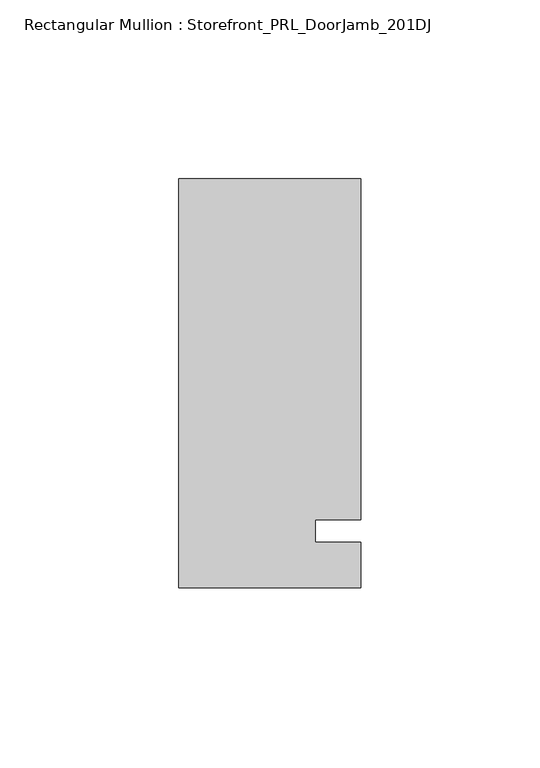
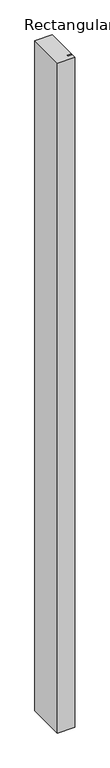
"""IFC4 building model written with IfcOpenShell, lengths in millimetres: member geometry, Rectangular Mullion : Storefront_PRL_DoorJamb_201DJ."""

import ifcopenshell
import ifcopenshell.guid

model = None  # the IFC model being written
_history = None  # IfcOwnerHistory: only IFC2X3 demands one
_inside = {}  # id of a spatial element -> (the spatial element, [elements in it])
_under = {}  # id of a project, library or spatial element -> (it, [spatial elements below it])
_declared = {}  # id of a project -> (the project, [libraries it declares])
_typed = {}  # id of a type object -> (the type object, [elements of that type])
_made_of = {}  # id of a material, layer set ... -> (it, [elements and type objects made of it])


def new_model(schema):
    """Start an empty IFC model of exactly this schema.

    Asked for "IFC4X3", IfcOpenShell would pick the latest addendum, in which some entities
    have other attributes; the version numbers below select the first issue.
    IFC2X3 requires an IfcOwnerHistory on every rooted entity: one is made here for all.
    """
    global model, _history
    if schema == "IFC4X3":
        model = ifcopenshell.file(schema_version=(4, 3, 0, 0))
    else:
        model = ifcopenshell.file(schema=schema)
    _inside.clear()
    _under.clear()
    _declared.clear()
    _typed.clear()
    _made_of.clear()
    _history = None
    if model.schema == "IFC2X3":
        org = make("IfcOrganization", Name="unknown")
        user = make(
            "IfcPersonAndOrganization",
            ThePerson=make("IfcPerson", FamilyName="unknown"),
            TheOrganization=org,
        )
        app = make(
            "IfcApplication",
            ApplicationDeveloper=org,
            Version="unknown",
            ApplicationFullName="unknown",
            ApplicationIdentifier="unknown",
        )
        _history = make(
            "IfcOwnerHistory",
            OwningUser=user,
            OwningApplication=app,
            ChangeAction="ADDED",
            CreationDate=0,
        )
    return model


def make(cls, **values):
    """One entity of the class cls with the attributes given. An attribute that is None is left unset."""
    return model.create_entity(
        cls, **{name: value for name, value in values.items() if value is not None}
    )


def rooted(cls, **values):
    """An entity with a GlobalId (a new one), such as an element, a storey or a relation."""
    return make(cls, GlobalId=ifcopenshell.guid.new(), OwnerHistory=_history, **values)


def si_unit(unit_type, name, prefix=None):
    """IfcSIUnit, for example si_unit("LENGTHUNIT", "METRE", prefix="MILLI")."""
    return make("IfcSIUnit", UnitType=unit_type, Prefix=prefix, Name=name)


def assignment(units):
    """IfcUnitAssignment: the units of a project."""
    return None if units is None else make("IfcUnitAssignment", Units=units)


def point(xyz):
    """IfcCartesianPoint."""
    return None if xyz is None else make("IfcCartesianPoint", Coordinates=xyz)


def direction(xyz):
    """IfcDirection."""
    return None if xyz is None else make("IfcDirection", DirectionRatios=xyz)


def frame(location, z_axis=None, x_axis=None):
    """IfcAxis2Placement3D, a coordinate frame: its origin and axes. An axis left out is left unset."""
    return make(
        "IfcAxis2Placement3D",
        Location=point(location),
        Axis=direction(z_axis),
        RefDirection=direction(x_axis),
    )


def origin():
    """The frame at (0, 0, 0) with its axes left unset."""
    return frame((0.0, 0.0, 0.0))


def place(relative_to, where):
    """IfcLocalPlacement: puts the frame where relative to a parent placement (None: the world)."""
    return make(
        "IfcLocalPlacement", PlacementRelTo=relative_to, RelativePlacement=where
    )


def context(
    kind, dimensions, precision=None, world=None, true_north=None, identifier=None
):
    """IfcGeometricRepresentationContext, for example the 3D "Model" context."""
    return make(
        "IfcGeometricRepresentationContext",
        ContextIdentifier=identifier,
        ContextType=kind,
        CoordinateSpaceDimension=dimensions,
        Precision=precision,
        WorldCoordinateSystem=world,
        TrueNorth=true_north,
    )


def project(units=None, contexts=None):
    """IfcProject with its units and contexts."""
    return rooted(
        "IfcProject",
        Name="project",
        RepresentationContexts=contexts,
        UnitsInContext=assignment(units),
    )


def spatial(cls, under=None, at=None, **own):
    """A site, building, storey or space (cls), placed at a placement, below another one or the project."""
    s = rooted(cls, ObjectPlacement=at, **own)
    if under is not None:
        _under.setdefault(under.id(), (under, []))[1].append(s)
    return s


def polyline(points):
    """IfcPolyline through the points."""
    return make("IfcPolyline", Points=[point(p) for p in points])


def outline(outer, holes=None, kind="AREA"):
    """IfcArbitraryClosedProfileDef: a profile drawn as a closed curve; with holes, ...WithVoids."""
    if holes is None:
        return make("IfcArbitraryClosedProfileDef", ProfileType=kind, OuterCurve=outer)
    return make(
        "IfcArbitraryProfileDefWithVoids",
        ProfileType=kind,
        OuterCurve=outer,
        InnerCurves=holes,
    )


def extrude(swept, where, along, depth):
    """IfcExtrudedAreaSolid: the profile swept, set in the frame where, extruded along a direction by depth."""
    return make(
        "IfcExtrudedAreaSolid",
        SweptArea=swept,
        Position=where,
        ExtrudedDirection=direction(along),
        Depth=depth,
    )


def shape(context_of_items, identifier, shape_type, items):
    """IfcShapeRepresentation: the items that make up one representation, for example the "Body"."""
    return make(
        "IfcShapeRepresentation",
        ContextOfItems=context_of_items,
        RepresentationIdentifier=identifier,
        RepresentationType=shape_type,
        Items=items,
    )


def source(mapping_origin, context_of_items, identifier, shape_type, items):
    """IfcRepresentationMap: a shape defined once, which mapped items show again and again."""
    return make(
        "IfcRepresentationMap",
        MappingOrigin=mapping_origin,
        MappedRepresentation=shape(context_of_items, identifier, shape_type, items),
    )


def transform(
    local_origin,
    x_axis=None,
    y_axis=None,
    z_axis=None,
    scale=None,
    scale2=None,
    scale3=None,
    uniform=True,
):
    """IfcCartesianTransformationOperator3D, or its non-uniform kind. x_axis, y_axis, z_axis: its Axis1, 2, 3."""
    if uniform:
        return make(
            "IfcCartesianTransformationOperator3D",
            Axis1=direction(x_axis),
            Axis2=direction(y_axis),
            LocalOrigin=point(local_origin),
            Scale=scale,
            Axis3=direction(z_axis),
        )
    return make(
        "IfcCartesianTransformationOperator3DnonUniform",
        Axis1=direction(x_axis),
        Axis2=direction(y_axis),
        LocalOrigin=point(local_origin),
        Scale=scale,
        Axis3=direction(z_axis),
        Scale2=scale2,
        Scale3=scale3,
    )


def mapped(mapping_source, mapping_target):
    """IfcMappedItem: shows the shape of a source again, moved by a transform."""
    return make(
        "IfcMappedItem", MappingSource=mapping_source, MappingTarget=mapping_target
    )


def made_of(thing, what):
    """Note that an element or type object is made of a material, layer set ...; save() writes the relation."""
    if what is not None:
        _made_of.setdefault(what.id(), (what, []))[1].append(thing)
    return thing


def element(
    cls,
    number,
    at=None,
    inside=None,
    cuts=None,
    type_object=None,
    material=None,
    context=None,
    identifier="Body",
    shape_type=None,
    held_by="IfcProductDefinitionShape",
    body=None,
    shapes=None,
    **own,
):
    """One element of the class cls, such as IfcWall. Its Tag is "e" and its number.

    at: its placement. inside: the storey or other place that contains it. cuts: it is an
    opening in that element (IfcRelVoidsElement). A single representation is given by context,
    identifier, shape_type and body (its items); several are given by shapes. held_by: the class
    of the entity that holds the representations. save() writes the other relations.
    """
    e = rooted(cls, Tag="e%d" % number, ObjectPlacement=at, **own)
    if body is not None:
        shapes = [shape(context, identifier, shape_type, body)]
    if shapes is not None:
        e.Representation = make(held_by, Representations=shapes)
    if inside is not None:
        _inside.setdefault(inside.id(), (inside, []))[1].append(e)
    if cuts is not None:
        rooted(
            "IfcRelVoidsElement", RelatingBuildingElement=cuts, RelatedOpeningElement=e
        )
    if type_object is not None:
        _typed.setdefault(type_object.id(), (type_object, []))[1].append(e)
    return made_of(e, material)


def aggregate(whole, parts):
    """IfcRelAggregates: a whole, such as a stair, and the parts it consists of."""
    return rooted("IfcRelAggregates", RelatingObject=whole, RelatedObjects=parts)


def save(model, path):
    """Write the relations noted so far, then the file.

    IfcRelAggregates (storeys below a building ...), IfcRelContainedInSpatialStructure (elements
    in a storey), IfcRelDefinesByType, IfcRelAssociatesMaterial and IfcRelDeclares: one each for
    every whole, place, type object, material and project.
    """
    for whole, parts in _under.values():
        aggregate(whole, parts)
    for where, things in _inside.values():
        rooted(
            "IfcRelContainedInSpatialStructure",
            RelatedElements=things,
            RelatingStructure=where,
        )
    for kind, things in _typed.values():
        rooted("IfcRelDefinesByType", RelatedObjects=things, RelatingType=kind)
    for what, things in _made_of.values():
        rooted("IfcRelAssociatesMaterial", RelatedObjects=things, RelatingMaterial=what)
    for by, libraries in _declared.values():
        rooted("IfcRelDeclares", RelatingContext=by, RelatedDefinitions=libraries)
    model.write(path)


def rectangular_mullion_storefront_prl_doorjamb_201dj_e93f9a75(model_context):
    return source(origin(), model_context, "Body", "SweptSolid", [
        extrude(outline(polyline([(12.7, 3.175), (12.7, -3.175), (25.4, -3.175), (25.4, -15.875), (-25.4, -15.875), (-25.4, 98.425), (25.4, 98.425), (25.4, 3.175), (12.7, 3.175)])), frame((0.0, 0.0, -2072.48125), z_axis=(0.0, 0.0, 1.0), x_axis=(1.0, 0.0, 0.0)), (0.0, 0.0, 1.0), 2072.48125),
    ])


if __name__ == "__main__":
    model = new_model("IFC4")
    model_context = context("Model", 3, world=origin())
    ifc_project = project(units=[si_unit("LENGTHUNIT", "METRE", prefix="MILLI")], contexts=[model_context])
    site = spatial("IfcSite", under=ifc_project)
    building = spatial("IfcBuilding", under=site)
    placement = place(None, origin())
    rectangular_mullion_storefront_prl_doorjamb_201dj_shape = rectangular_mullion_storefront_prl_doorjamb_201dj_e93f9a75(model_context)
    element("IfcMember", 1, ObjectType="Rectangular Mullion : Storefront_PRL_DoorJamb_201DJ", at=placement, inside=building, context=model_context, shape_type="MappedRepresentation", body=[
        mapped(rectangular_mullion_storefront_prl_doorjamb_201dj_shape, transform((0.0, 0.0, 0.0), x_axis=(1.0, 0.0, 0.0), y_axis=(0.0, 1.0, 0.0), z_axis=(0.0, 0.0, 1.0))),
    ])
    save(model, "model.ifc")
